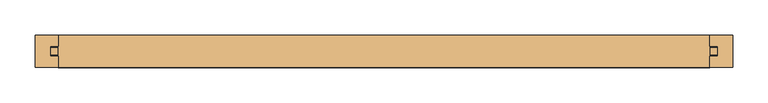
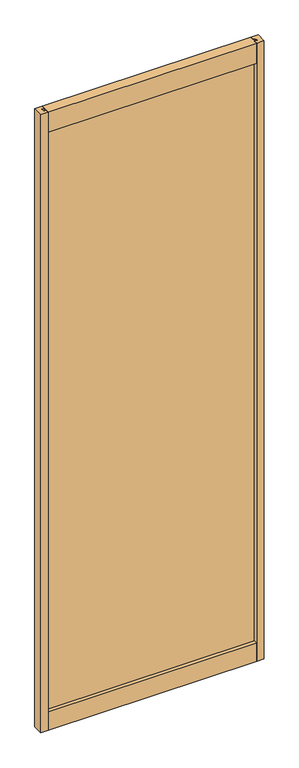
"""IFC4 building model written with IfcOpenShell, lengths in millimetres: door geometry."""

from ifc_helpers import new_model, si_unit, frame, origin, place, context, project, spatial, polyline, outline, extrude, source, transform, mapped, element, save


def door_c32c2e7b(model_context):
    return source(origin(), model_context, "Body", "SweptSolid", [
        extrude(outline(polyline([(473.71, -5.0038), (-473.71, -5.0038), (-473.71, 5.0038), (473.71, 5.0038), (473.71, -5.0038)])), frame((0.0, 0.0, 95.25), z_axis=(0.0, 0.0, 1.0), x_axis=(1.0, 0.0, 0.0)), (0.0, 0.0, 1.0), 2730.2893997),
        extrude(outline(polyline([(-495.3, -22.733), (-495.3, 22.733), (-462.28, 22.733), (-462.28, 7.239), (-473.71, 7.239), (-473.71, -7.239), (-462.28, -7.239), (-462.28, -22.733), (-495.3, -22.733)])), frame((0.0, 0.0, 12.7), z_axis=(0.0, 0.0, 1.0), x_axis=(1.0, 0.0, 0.0)), (0.0, 0.0, 1.0), 2895.3893997),
        extrude(outline(polyline([(495.3, -22.733), (462.28, -22.733), (462.28, -7.239), (473.71, -7.239), (473.71, 7.239), (462.28, 7.239), (462.28, 22.733), (495.3, 22.733), (495.3, -22.733)])), frame((0.0, 0.0, 12.7), z_axis=(0.0, 0.0, 1.0), x_axis=(1.0, 0.0, 0.0)), (0.0, 0.0, 1.0), 2895.3893997),
        extrude(outline(polyline([(-22.733, 12.7), (-22.733, 99.06), (-7.239, 99.06), (-7.239, 87.63), (7.239, 87.63), (7.239, 99.06), (22.733, 99.06), (22.733, 12.7), (-22.733, 12.7)])), frame((-462.28, 0.0, 0.0), z_axis=(1.0, 0.0, 0.0), x_axis=(0.0, 1.0, 0.0)), (0.0, 0.0, 1.0), 924.56),
        extrude(outline(polyline([(22.733, 2908.0893997), (22.733, 2814.1093997), (7.239, 2814.1093997), (7.239, 2825.5393997), (-7.239, 2825.5393997), (-7.239, 2814.1093997), (-22.733, 2814.1093997), (-22.733, 2908.0893997), (22.733, 2908.0893997)])), frame((-462.28, 0.0, 0.0), z_axis=(1.0, 0.0, 0.0), x_axis=(0.0, 1.0, 0.0)), (0.0, 0.0, 1.0), 924.56),
    ])


if __name__ == "__main__":
    model = new_model("IFC4")
    model_context = context("Model", 3, world=origin())
    ifc_project = project(units=[si_unit("LENGTHUNIT", "METRE", prefix="MILLI")], contexts=[model_context])
    site = spatial("IfcSite", under=ifc_project)
    building = spatial("IfcBuilding", under=site)
    placement = place(None, origin())
    door_shape = door_c32c2e7b(model_context)
    element("IfcDoor", 1, at=placement, inside=building, context=model_context, shape_type="MappedRepresentation", body=[
        mapped(door_shape, transform((0.0, 0.0, 0.0), x_axis=(1.0, 0.0, 0.0), y_axis=(0.0, 1.0, 0.0), z_axis=(0.0, 0.0, 1.0))),
    ])
    save(model, "model.ifc")
